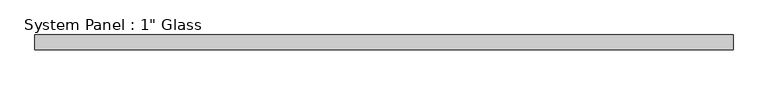
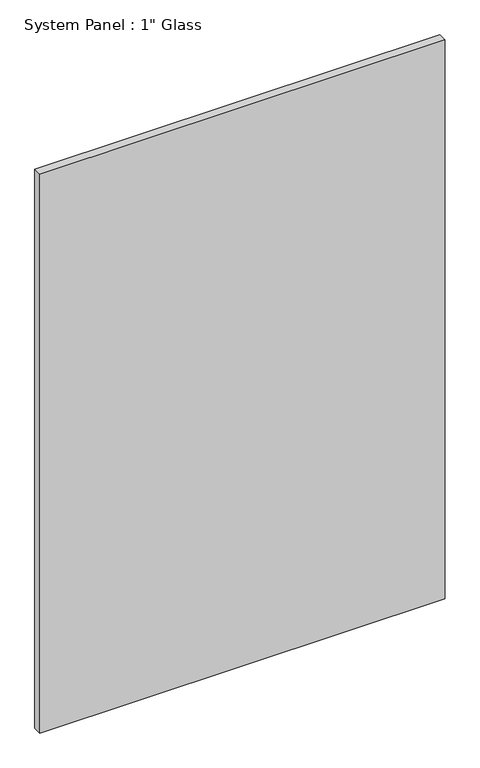
"""IFC4 building model written with IfcOpenShell, lengths in millimetres: plate geometry."""

from ifc_helpers import new_model, si_unit, origin, origin_with_axes, place, context, project, spatial, polyline, outline, extrude, source, transform, mapped, element, save


def plate_07c9c6ee(model_context):
    return source(origin(), model_context, "Body", "SweptSolid", [
        extrude(outline(polyline([(596.9, -12.7), (-596.9, -12.7), (-596.9, 12.7), (596.9, 12.7), (596.9, -12.7)])), origin_with_axes(), (0.0, 0.0, 1.0), 1739.9),
    ])


if __name__ == "__main__":
    model = new_model("IFC4")
    model_context = context("Model", 3, world=origin())
    ifc_project = project(units=[si_unit("LENGTHUNIT", "METRE", prefix="MILLI")], contexts=[model_context])
    site = spatial("IfcSite", under=ifc_project)
    building = spatial("IfcBuilding", under=site)
    placement = place(None, origin())
    plate_shape = plate_07c9c6ee(model_context)
    element("IfcPlate", 1, ObjectType="System Panel : 1\" Glass", at=placement, inside=building, context=model_context, shape_type="MappedRepresentation", body=[
        mapped(plate_shape, transform((0.0, 0.0, 0.0), x_axis=(1.0, 0.0, 0.0), y_axis=(0.0, 1.0, 0.0), z_axis=(0.0, 0.0, 1.0))),
    ])
    save(model, "model.ifc")
